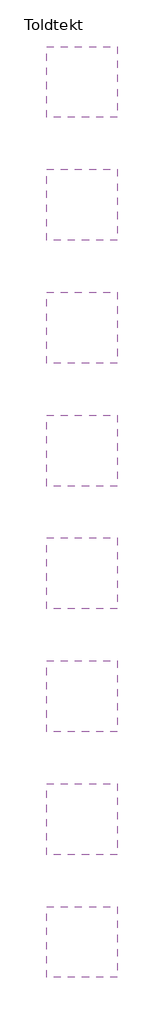
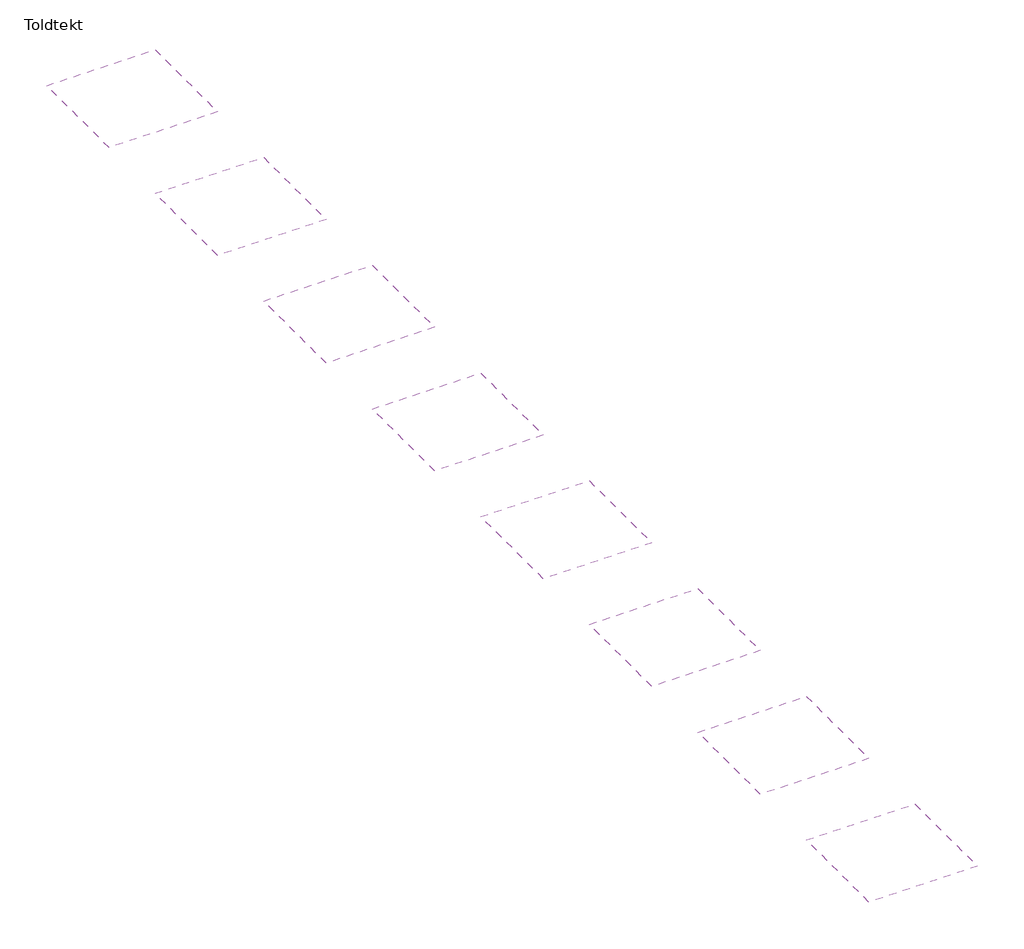
# One storey: 8 coverings.
"""IFC4 building model written with IfcOpenShell, lengths in millimetres."""

import ifcopenshell
import ifcopenshell.guid

model = None  # the IFC model being written
_history = None  # IfcOwnerHistory: only IFC2X3 demands one
_inside = {}  # id of a spatial element -> (the spatial element, [elements in it])
_under = {}  # id of a project, library or spatial element -> (it, [spatial elements below it])
_declared = {}  # id of a project -> (the project, [libraries it declares])
_typed = {}  # id of a type object -> (the type object, [elements of that type])
_made_of = {}  # id of a material, layer set ... -> (it, [elements and type objects made of it])


def new_model(schema):
    """Start an empty IFC model of exactly this schema.

    Asked for "IFC4X3", IfcOpenShell would pick the latest addendum, in which some entities
    have other attributes; the version numbers below select the first issue.
    IFC2X3 requires an IfcOwnerHistory on every rooted entity: one is made here for all.
    """
    global model, _history
    if schema == "IFC4X3":
        model = ifcopenshell.file(schema_version=(4, 3, 0, 0))
    else:
        model = ifcopenshell.file(schema=schema)
    _inside.clear()
    _under.clear()
    _declared.clear()
    _typed.clear()
    _made_of.clear()
    _history = None
    if model.schema == "IFC2X3":
        org = make("IfcOrganization", Name="unknown")
        user = make(
            "IfcPersonAndOrganization",
            ThePerson=make("IfcPerson", FamilyName="unknown"),
            TheOrganization=org,
        )
        app = make(
            "IfcApplication",
            ApplicationDeveloper=org,
            Version="unknown",
            ApplicationFullName="unknown",
            ApplicationIdentifier="unknown",
        )
        _history = make(
            "IfcOwnerHistory",
            OwningUser=user,
            OwningApplication=app,
            ChangeAction="ADDED",
            CreationDate=0,
        )
    return model


def make(cls, **values):
    """One entity of the class cls with the attributes given. An attribute that is None is left unset."""
    return model.create_entity(
        cls, **{name: value for name, value in values.items() if value is not None}
    )


def rooted(cls, **values):
    """An entity with a GlobalId (a new one), such as an element, a storey or a relation."""
    return make(cls, GlobalId=ifcopenshell.guid.new(), OwnerHistory=_history, **values)


def si_unit(unit_type, name, prefix=None):
    """IfcSIUnit, for example si_unit("LENGTHUNIT", "METRE", prefix="MILLI")."""
    return make("IfcSIUnit", UnitType=unit_type, Prefix=prefix, Name=name)


def assignment(units):
    """IfcUnitAssignment: the units of a project."""
    return None if units is None else make("IfcUnitAssignment", Units=units)


def point(xyz):
    """IfcCartesianPoint."""
    return None if xyz is None else make("IfcCartesianPoint", Coordinates=xyz)


def direction(xyz):
    """IfcDirection."""
    return None if xyz is None else make("IfcDirection", DirectionRatios=xyz)


def frame(location, z_axis=None, x_axis=None):
    """IfcAxis2Placement3D, a coordinate frame: its origin and axes. An axis left out is left unset."""
    return make(
        "IfcAxis2Placement3D",
        Location=point(location),
        Axis=direction(z_axis),
        RefDirection=direction(x_axis),
    )


def origin():
    """The frame at (0, 0, 0) with its axes left unset."""
    return frame((0.0, 0.0, 0.0))


def place(relative_to, where):
    """IfcLocalPlacement: puts the frame where relative to a parent placement (None: the world)."""
    return make(
        "IfcLocalPlacement", PlacementRelTo=relative_to, RelativePlacement=where
    )


def context(
    kind, dimensions, precision=None, world=None, true_north=None, identifier=None
):
    """IfcGeometricRepresentationContext, for example the 3D "Model" context."""
    return make(
        "IfcGeometricRepresentationContext",
        ContextIdentifier=identifier,
        ContextType=kind,
        CoordinateSpaceDimension=dimensions,
        Precision=precision,
        WorldCoordinateSystem=world,
        TrueNorth=true_north,
    )


def project(units=None, contexts=None):
    """IfcProject with its units and contexts."""
    return rooted(
        "IfcProject",
        Name="project",
        RepresentationContexts=contexts,
        UnitsInContext=assignment(units),
    )


def spatial(cls, under=None, at=None, **own):
    """A site, building, storey or space (cls), placed at a placement, below another one or the project."""
    s = rooted(cls, ObjectPlacement=at, **own)
    if under is not None:
        _under.setdefault(under.id(), (under, []))[1].append(s)
    return s


def polyline(points):
    """IfcPolyline through the points."""
    return make("IfcPolyline", Points=[point(p) for p in points])


def outline(outer, holes=None, kind="AREA"):
    """IfcArbitraryClosedProfileDef: a profile drawn as a closed curve; with holes, ...WithVoids."""
    if holes is None:
        return make("IfcArbitraryClosedProfileDef", ProfileType=kind, OuterCurve=outer)
    return make(
        "IfcArbitraryProfileDefWithVoids",
        ProfileType=kind,
        OuterCurve=outer,
        InnerCurves=holes,
    )


def extrude(swept, where, along, depth):
    """IfcExtrudedAreaSolid: the profile swept, set in the frame where, extruded along a direction by depth."""
    return make(
        "IfcExtrudedAreaSolid",
        SweptArea=swept,
        Position=where,
        ExtrudedDirection=direction(along),
        Depth=depth,
    )


def shape(context_of_items, identifier, shape_type, items):
    """IfcShapeRepresentation: the items that make up one representation, for example the "Body"."""
    return make(
        "IfcShapeRepresentation",
        ContextOfItems=context_of_items,
        RepresentationIdentifier=identifier,
        RepresentationType=shape_type,
        Items=items,
    )


def made_of(thing, what):
    """Note that an element or type object is made of a material, layer set ...; save() writes the relation."""
    if what is not None:
        _made_of.setdefault(what.id(), (what, []))[1].append(thing)
    return thing


def element(
    cls,
    number,
    at=None,
    inside=None,
    cuts=None,
    type_object=None,
    material=None,
    context=None,
    identifier="Body",
    shape_type=None,
    held_by="IfcProductDefinitionShape",
    body=None,
    shapes=None,
    **own,
):
    """One element of the class cls, such as IfcWall. Its Tag is "e" and its number.

    at: its placement. inside: the storey or other place that contains it. cuts: it is an
    opening in that element (IfcRelVoidsElement). A single representation is given by context,
    identifier, shape_type and body (its items); several are given by shapes. held_by: the class
    of the entity that holds the representations. save() writes the other relations.
    """
    e = rooted(cls, Tag="e%d" % number, ObjectPlacement=at, **own)
    if body is not None:
        shapes = [shape(context, identifier, shape_type, body)]
    if shapes is not None:
        e.Representation = make(held_by, Representations=shapes)
    if inside is not None:
        _inside.setdefault(inside.id(), (inside, []))[1].append(e)
    if cuts is not None:
        rooted(
            "IfcRelVoidsElement", RelatingBuildingElement=cuts, RelatedOpeningElement=e
        )
    if type_object is not None:
        _typed.setdefault(type_object.id(), (type_object, []))[1].append(e)
    return made_of(e, material)


def aggregate(whole, parts):
    """IfcRelAggregates: a whole, such as a stair, and the parts it consists of."""
    return rooted("IfcRelAggregates", RelatingObject=whole, RelatedObjects=parts)


def save(model, path):
    """Write the relations noted so far, then the file.

    IfcRelAggregates (storeys below a building ...), IfcRelContainedInSpatialStructure (elements
    in a storey), IfcRelDefinesByType, IfcRelAssociatesMaterial and IfcRelDeclares: one each for
    every whole, place, type object, material and project.
    """
    for whole, parts in _under.values():
        aggregate(whole, parts)
    for where, things in _inside.values():
        rooted(
            "IfcRelContainedInSpatialStructure",
            RelatedElements=things,
            RelatingStructure=where,
        )
    for kind, things in _typed.values():
        rooted("IfcRelDefinesByType", RelatedObjects=things, RelatingType=kind)
    for what, things in _made_of.values():
        rooted("IfcRelAssociatesMaterial", RelatedObjects=things, RelatingMaterial=what)
    for by, libraries in _declared.values():
        rooted("IfcRelDeclares", RelatingContext=by, RelatedDefinitions=libraries)
    model.write(path)


model = new_model("IFC4")

# Units and contexts
model_context = context("Model", 3, world=origin())
ifc_project = project(units=[si_unit("LENGTHUNIT", "METRE", prefix="MILLI")], contexts=[model_context])

# Site, building, storey
site = spatial("IfcSite", under=ifc_project)
building = spatial("IfcBuilding", under=site)
storey = spatial("IfcBuildingStorey", under=building, Name="Toldtekt", Elevation=0.0)

# Coverings
placement = place(None, origin())
element("IfcCovering", 1, ObjectType="Troldtekt_C60system_35mm, 600X1200 running bond", at=placement, inside=storey, context=model_context, shape_type="SweptSolid", body=[
    extrude(outline(polyline([(17169.5723108, 24163.0097108), (17169.5723108, 21163.0097108), (14169.5723108, 21163.0097108), (14169.5723108, 24163.0097108), (17169.5723108, 24163.0097108)])), frame((0.0, 0.0, 2600.0), z_axis=(0.0, 0.0, 1.0), x_axis=(1.0, 0.0, 0.0)), (0.0, 0.0, 1.0), 89.0),
])
element("IfcCovering", 2, ObjectType="Troldtekt_C60system_35mm, 600X1200 stack bond", at=placement, inside=storey, context=model_context, shape_type="SweptSolid", body=[
    extrude(outline(polyline([(17169.5723108, 18963.021805), (17169.5723108, 15963.021805), (14169.5723108, 15963.021805), (14169.5723108, 18963.021805), (17169.5723108, 18963.021805)])), frame((0.0, 0.0, 2600.0), z_axis=(0.0, 0.0, 1.0), x_axis=(1.0, 0.0, 0.0)), (0.0, 0.0, 1.0), 89.0),
])
element("IfcCovering", 3, ObjectType="Troldtekt_C60system_35mm, 600X2000 running bond", at=placement, inside=storey, context=model_context, shape_type="SweptSolid", body=[
    extrude(outline(polyline([(17169.5723108, 13763.0338993), (17169.5723108, 10763.0338993), (14169.5723108, 10763.0338993), (14169.5723108, 13763.0338993), (17169.5723108, 13763.0338993)])), frame((0.0, 0.0, 2600.0), z_axis=(0.0, 0.0, 1.0), x_axis=(1.0, 0.0, 0.0)), (0.0, 0.0, 1.0), 89.0),
])
element("IfcCovering", 4, ObjectType="Troldtekt_C60system_35mm, 600X2000 stack bond", at=placement, inside=storey, context=model_context, shape_type="SweptSolid", body=[
    extrude(outline(polyline([(17169.5723108, 8563.0459935), (17169.5723108, 5563.0459935), (14169.5723108, 5563.0459935), (14169.5723108, 8563.0459935), (17169.5723108, 8563.0459935)])), frame((0.0, 0.0, 2600.0), z_axis=(0.0, 0.0, 1.0), x_axis=(1.0, 0.0, 0.0)), (0.0, 0.0, 1.0), 89.0),
])
element("IfcCovering", 5, ObjectType="Troldtekt_C60system_35mm, 600X2400 running bond", at=placement, inside=storey, context=model_context, shape_type="SweptSolid", body=[
    extrude(outline(polyline([(17169.5723108, 3363.0580878), (17169.5723108, 363.0580878), (14169.5723108, 363.0580878), (14169.5723108, 3363.0580878), (17169.5723108, 3363.0580878)])), frame((0.0, 0.0, 2600.0), z_axis=(0.0, 0.0, 1.0), x_axis=(1.0, 0.0, 0.0)), (0.0, 0.0, 1.0), 89.0),
])
element("IfcCovering", 6, ObjectType="Troldtekt_C60system_35mm, 600X2400 stack bond", at=placement, inside=storey, context=model_context, shape_type="SweptSolid", body=[
    extrude(outline(polyline([(17169.5723108, -1836.929818), (17169.5723108, -4836.929818), (14169.5723108, -4836.929818), (14169.5723108, -1836.929818), (17169.5723108, -1836.929818)])), frame((0.0, 0.0, 2600.0), z_axis=(0.0, 0.0, 1.0), x_axis=(1.0, 0.0, 0.0)), (0.0, 0.0, 1.0), 89.0),
])
element("IfcCovering", 7, ObjectType="Troldtekt_C60system_35mm, 600X600 running bond", at=placement, inside=storey, context=model_context, shape_type="SweptSolid", body=[
    extrude(outline(polyline([(17169.5723108, 34562.9855223), (17169.5723108, 31562.9855223), (14169.5723108, 31562.9855223), (14169.5723108, 34562.9855223), (17169.5723108, 34562.9855223)])), frame((0.0, 0.0, 2600.0), z_axis=(0.0, 0.0, 1.0), x_axis=(1.0, 0.0, 0.0)), (0.0, 0.0, 1.0), 89.0),
])
element("IfcCovering", 8, ObjectType="Troldtekt_C60system_35mm, 600X600 stack bond", at=placement, inside=storey, context=model_context, shape_type="SweptSolid", body=[
    extrude(outline(polyline([(17169.5723108, 29362.9976165), (17169.5723108, 26362.9976165), (14169.5723108, 26362.9976165), (14169.5723108, 29362.9976165), (17169.5723108, 29362.9976165)])), frame((0.0, 0.0, 2600.0), z_axis=(0.0, 0.0, 1.0), x_axis=(1.0, 0.0, 0.0)), (0.0, 0.0, 1.0), 89.0),
])

save(model, "model.ifc")
